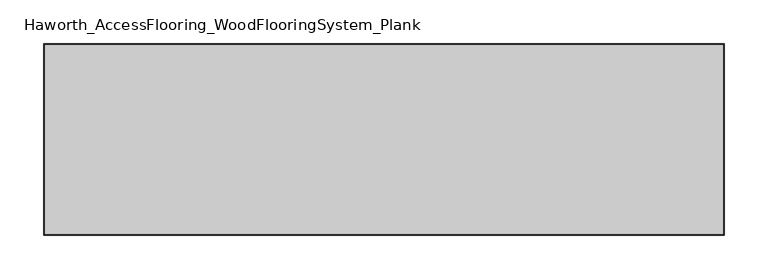
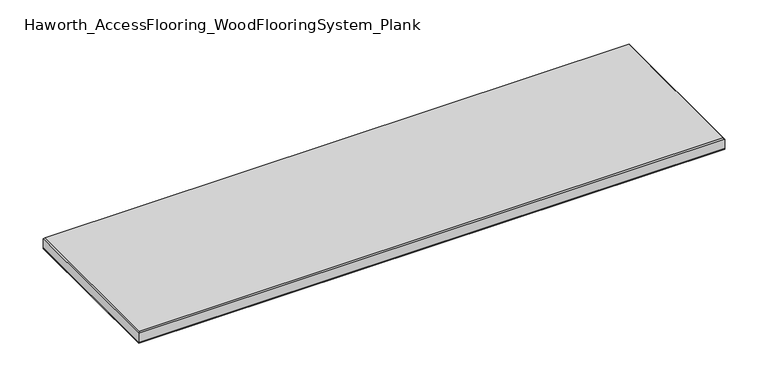
"""IFC4 building model written with IfcOpenShell, lengths in millimetres: proxy geometry, Haworth_AccessFlooring_WoodFlooringSystem_Plank."""

from ifc_helpers import new_model, si_unit, frame, origin, place, context, project, spatial, polyline, outline, extrude, faceted_brep, source, transform, mapped, element, save


def haworth_accessflooring_woodflooringsystem_plank_21677a80(model_context):
    return source(origin(), model_context, "Body", "SolidModel", [
        extrude(outline(polyline([(390.4121801, 109.9839844), (390.4121801, -109.9839844), (-390.4121801, -109.9839844), (-390.4121801, 109.9839844), (390.4121801, 109.9839844)])), frame((0.0, 0.0, -15.875), z_axis=(0.0, 0.0, 1.0), x_axis=(1.0, 0.0, 0.0)), (0.0, 0.0, 1.0), 0.9921875),
        faceted_brep([(390.4121801, 109.9839844, -14.8828125), (390.4121801, -109.9839844, -14.8828125), (-390.4121801, -109.9839844, -14.8828125), (-390.4121801, 109.9839844, -14.8828125), (-390.4121801, 109.9839844, -1.5875), (390.4121801, 109.9839844, -1.5875), (-390.4121801, -109.9839844, -1.5875), (390.4121801, -109.9839844, -1.5875), (388.8246801, 108.3964844, 0.0), (-388.8246801, 108.3964844, 0.0), (-388.8246801, -108.3964844, 0.0), (388.8246801, -108.3964844, 0.0)], [[[0, 1, 2, 3]], [[0, 3, 4, 5]], [[3, 2, 6, 4]], [[2, 1, 7, 6]], [[1, 0, 5, 7]], [[8, 9, 10, 11]], [[9, 8, 5, 4]], [[10, 9, 4, 6]], [[11, 10, 6, 7]], [[8, 11, 7, 5]]]),
    ])


if __name__ == "__main__":
    model = new_model("IFC4")
    model_context = context("Model", 3, world=origin())
    ifc_project = project(units=[si_unit("LENGTHUNIT", "METRE", prefix="MILLI")], contexts=[model_context])
    site = spatial("IfcSite", under=ifc_project)
    building = spatial("IfcBuilding", under=site)
    placement = place(None, origin())
    haworth_accessflooring_woodflooringsystem_plank_shape = haworth_accessflooring_woodflooringsystem_plank_21677a80(model_context)
    element("IfcBuildingElementProxy", 1, Name="Haworth_AccessFlooring_WoodFlooringSystem_Plank", ObjectType="Haworth_AccessFlooring_WoodFlooringSystem_Plank", at=placement, inside=building, context=model_context, shape_type="MappedRepresentation", body=[
        mapped(haworth_accessflooring_woodflooringsystem_plank_shape, transform((0.0, 0.0, 0.0), x_axis=(1.0, 0.0, 0.0), y_axis=(0.0, 1.0, 0.0), z_axis=(0.0, 0.0, 1.0))),
    ])
    save(model, "model.ifc")
